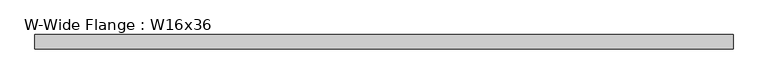
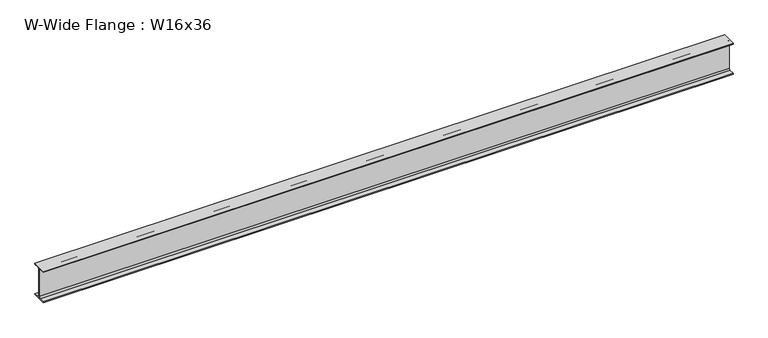
"""IFC4 building model written with IfcOpenShell, lengths in millimetres: beam geometry, W-Wide Flange : W16x36."""

from ifc_helpers import new_model, si_unit, point, frame, frame_2d, origin, place, context, project, spatial, polyline, circle_curve, trimmed, segment, composite_curve, outline, extrude, source, transform, mapped, element, save


def w_wide_flange_w16x36_b80fac12(model_context):
    return source(origin(), model_context, "Body", "SweptSolid", [
        extrude(outline(composite_curve([segment(polyline([(88.773, -191.008), (88.773, -201.93), (-88.773, -201.93), (-88.773, -191.008), (-21.3995, -191.008)]), True, "CONTINUOUS"), segment(trimmed(circle_curve(frame_2d((-21.3995, -173.355)), 17.653), [point((-21.3995, -191.008))], [point((-3.7465, -173.355))], True, "CARTESIAN"), True, "CONTINUOUS"), segment(polyline([(-3.7465, -173.355), (-3.7465, 173.355)]), True, "CONTINUOUS"), segment(trimmed(circle_curve(frame_2d((-21.3995, 173.355)), 17.653), [point((-3.7465, 173.355))], [point((-21.3995, 191.008))], True, "CARTESIAN"), True, "CONTINUOUS"), segment(polyline([(-21.3995, 191.008), (-88.773, 191.008), (-88.773, 201.93), (88.773, 201.93), (88.773, 191.008), (21.3995, 191.008)]), True, "CONTINUOUS"), segment(trimmed(circle_curve(frame_2d((21.3995, 173.355)), 17.653), [point((21.3995, 191.008))], [point((3.7465, 173.355))], True, "CARTESIAN"), True, "CONTINUOUS"), segment(polyline([(3.7465, 173.355), (3.7465, -173.355)]), True, "CONTINUOUS"), segment(trimmed(circle_curve(frame_2d((21.3995, -173.355)), 17.653), [point((3.7465, -173.355))], [point((21.3995, -191.008))], True, "CARTESIAN"), True, "CONTINUOUS"), segment(polyline([(21.3995, -191.008), (88.773, -191.008)]), True, "CONTINUOUS")], self_intersect=False)), frame((-4245.057448, 0.0, 0.0), z_axis=(1.0, 0.0, 0.0), x_axis=(0.0, 1.0, 0.0)), (0.0, 0.0, 1.0), 8499.4194788),
    ])


if __name__ == "__main__":
    model = new_model("IFC4")
    model_context = context("Model", 3, world=origin())
    ifc_project = project(units=[si_unit("LENGTHUNIT", "METRE", prefix="MILLI")], contexts=[model_context])
    site = spatial("IfcSite", under=ifc_project)
    building = spatial("IfcBuilding", under=site)
    placement = place(None, origin())
    w_wide_flange_w16x36_shape = w_wide_flange_w16x36_b80fac12(model_context)
    element("IfcBeam", 1, ObjectType="W-Wide Flange : W16x36", at=placement, inside=building, context=model_context, shape_type="MappedRepresentation", body=[
        mapped(w_wide_flange_w16x36_shape, transform((0.0, 0.0, 0.0), x_axis=(1.0, 0.0, 0.0), y_axis=(0.0, 1.0, 0.0), z_axis=(0.0, 0.0, 1.0))),
    ])
    save(model, "model.ifc")
